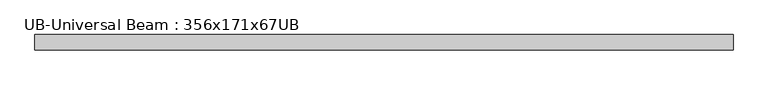
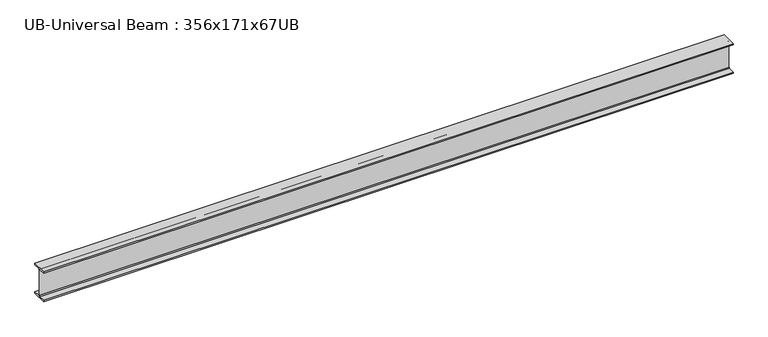
"""IFC4 building model written with IfcOpenShell, lengths in millimetres: beam geometry, UB-Universal Beam : 356x171x67UB."""

import ifcopenshell
import ifcopenshell.guid

model = None  # the IFC model being written
_history = None  # IfcOwnerHistory: only IFC2X3 demands one
_inside = {}  # id of a spatial element -> (the spatial element, [elements in it])
_under = {}  # id of a project, library or spatial element -> (it, [spatial elements below it])
_declared = {}  # id of a project -> (the project, [libraries it declares])
_typed = {}  # id of a type object -> (the type object, [elements of that type])
_made_of = {}  # id of a material, layer set ... -> (it, [elements and type objects made of it])


def new_model(schema):
    """Start an empty IFC model of exactly this schema.

    Asked for "IFC4X3", IfcOpenShell would pick the latest addendum, in which some entities
    have other attributes; the version numbers below select the first issue.
    IFC2X3 requires an IfcOwnerHistory on every rooted entity: one is made here for all.
    """
    global model, _history
    if schema == "IFC4X3":
        model = ifcopenshell.file(schema_version=(4, 3, 0, 0))
    else:
        model = ifcopenshell.file(schema=schema)
    _inside.clear()
    _under.clear()
    _declared.clear()
    _typed.clear()
    _made_of.clear()
    _history = None
    if model.schema == "IFC2X3":
        org = make("IfcOrganization", Name="unknown")
        user = make(
            "IfcPersonAndOrganization",
            ThePerson=make("IfcPerson", FamilyName="unknown"),
            TheOrganization=org,
        )
        app = make(
            "IfcApplication",
            ApplicationDeveloper=org,
            Version="unknown",
            ApplicationFullName="unknown",
            ApplicationIdentifier="unknown",
        )
        _history = make(
            "IfcOwnerHistory",
            OwningUser=user,
            OwningApplication=app,
            ChangeAction="ADDED",
            CreationDate=0,
        )
    return model


def make(cls, **values):
    """One entity of the class cls with the attributes given. An attribute that is None is left unset."""
    return model.create_entity(
        cls, **{name: value for name, value in values.items() if value is not None}
    )


def rooted(cls, **values):
    """An entity with a GlobalId (a new one), such as an element, a storey or a relation."""
    return make(cls, GlobalId=ifcopenshell.guid.new(), OwnerHistory=_history, **values)


def si_unit(unit_type, name, prefix=None):
    """IfcSIUnit, for example si_unit("LENGTHUNIT", "METRE", prefix="MILLI")."""
    return make("IfcSIUnit", UnitType=unit_type, Prefix=prefix, Name=name)


def assignment(units):
    """IfcUnitAssignment: the units of a project."""
    return None if units is None else make("IfcUnitAssignment", Units=units)


def point(xyz):
    """IfcCartesianPoint."""
    return None if xyz is None else make("IfcCartesianPoint", Coordinates=xyz)


def direction(xyz):
    """IfcDirection."""
    return None if xyz is None else make("IfcDirection", DirectionRatios=xyz)


def frame(location, z_axis=None, x_axis=None):
    """IfcAxis2Placement3D, a coordinate frame: its origin and axes. An axis left out is left unset."""
    return make(
        "IfcAxis2Placement3D",
        Location=point(location),
        Axis=direction(z_axis),
        RefDirection=direction(x_axis),
    )


def frame_2d(location, x_axis=None):
    """IfcAxis2Placement2D, a coordinate frame in the plane: its origin and x axis."""
    return make(
        "IfcAxis2Placement2D", Location=point(location), RefDirection=direction(x_axis)
    )


def origin():
    """The frame at (0, 0, 0) with its axes left unset."""
    return frame((0.0, 0.0, 0.0))


def place(relative_to, where):
    """IfcLocalPlacement: puts the frame where relative to a parent placement (None: the world)."""
    return make(
        "IfcLocalPlacement", PlacementRelTo=relative_to, RelativePlacement=where
    )


def context(
    kind, dimensions, precision=None, world=None, true_north=None, identifier=None
):
    """IfcGeometricRepresentationContext, for example the 3D "Model" context."""
    return make(
        "IfcGeometricRepresentationContext",
        ContextIdentifier=identifier,
        ContextType=kind,
        CoordinateSpaceDimension=dimensions,
        Precision=precision,
        WorldCoordinateSystem=world,
        TrueNorth=true_north,
    )


def project(units=None, contexts=None):
    """IfcProject with its units and contexts."""
    return rooted(
        "IfcProject",
        Name="project",
        RepresentationContexts=contexts,
        UnitsInContext=assignment(units),
    )


def spatial(cls, under=None, at=None, **own):
    """A site, building, storey or space (cls), placed at a placement, below another one or the project."""
    s = rooted(cls, ObjectPlacement=at, **own)
    if under is not None:
        _under.setdefault(under.id(), (under, []))[1].append(s)
    return s


def polyline(points):
    """IfcPolyline through the points."""
    return make("IfcPolyline", Points=[point(p) for p in points])


def circle_curve(where, radius):
    """IfcCircle in the frame where."""
    return make("IfcCircle", Position=where, Radius=radius)


def trimmed(basis, trim1, trim2, sense, master):
    """IfcTrimmedCurve: the piece of a basis curve between two trims."""
    return make(
        "IfcTrimmedCurve",
        BasisCurve=basis,
        Trim1=trim1,
        Trim2=trim2,
        SenseAgreement=sense,
        MasterRepresentation=master,
    )


def segment(curve, same_sense, transition):
    """IfcCompositeCurveSegment."""
    return make(
        "IfcCompositeCurveSegment",
        Transition=transition,
        SameSense=same_sense,
        ParentCurve=curve,
    )


def composite_curve(segments, self_intersect=None):
    """IfcCompositeCurve: segments joined end to end."""
    return make("IfcCompositeCurve", Segments=segments, SelfIntersect=self_intersect)


def outline(outer, holes=None, kind="AREA"):
    """IfcArbitraryClosedProfileDef: a profile drawn as a closed curve; with holes, ...WithVoids."""
    if holes is None:
        return make("IfcArbitraryClosedProfileDef", ProfileType=kind, OuterCurve=outer)
    return make(
        "IfcArbitraryProfileDefWithVoids",
        ProfileType=kind,
        OuterCurve=outer,
        InnerCurves=holes,
    )


def extrude(swept, where, along, depth):
    """IfcExtrudedAreaSolid: the profile swept, set in the frame where, extruded along a direction by depth."""
    return make(
        "IfcExtrudedAreaSolid",
        SweptArea=swept,
        Position=where,
        ExtrudedDirection=direction(along),
        Depth=depth,
    )


def shape(context_of_items, identifier, shape_type, items):
    """IfcShapeRepresentation: the items that make up one representation, for example the "Body"."""
    return make(
        "IfcShapeRepresentation",
        ContextOfItems=context_of_items,
        RepresentationIdentifier=identifier,
        RepresentationType=shape_type,
        Items=items,
    )


def source(mapping_origin, context_of_items, identifier, shape_type, items):
    """IfcRepresentationMap: a shape defined once, which mapped items show again and again."""
    return make(
        "IfcRepresentationMap",
        MappingOrigin=mapping_origin,
        MappedRepresentation=shape(context_of_items, identifier, shape_type, items),
    )


def transform(
    local_origin,
    x_axis=None,
    y_axis=None,
    z_axis=None,
    scale=None,
    scale2=None,
    scale3=None,
    uniform=True,
):
    """IfcCartesianTransformationOperator3D, or its non-uniform kind. x_axis, y_axis, z_axis: its Axis1, 2, 3."""
    if uniform:
        return make(
            "IfcCartesianTransformationOperator3D",
            Axis1=direction(x_axis),
            Axis2=direction(y_axis),
            LocalOrigin=point(local_origin),
            Scale=scale,
            Axis3=direction(z_axis),
        )
    return make(
        "IfcCartesianTransformationOperator3DnonUniform",
        Axis1=direction(x_axis),
        Axis2=direction(y_axis),
        LocalOrigin=point(local_origin),
        Scale=scale,
        Axis3=direction(z_axis),
        Scale2=scale2,
        Scale3=scale3,
    )


def mapped(mapping_source, mapping_target):
    """IfcMappedItem: shows the shape of a source again, moved by a transform."""
    return make(
        "IfcMappedItem", MappingSource=mapping_source, MappingTarget=mapping_target
    )


def made_of(thing, what):
    """Note that an element or type object is made of a material, layer set ...; save() writes the relation."""
    if what is not None:
        _made_of.setdefault(what.id(), (what, []))[1].append(thing)
    return thing


def element(
    cls,
    number,
    at=None,
    inside=None,
    cuts=None,
    type_object=None,
    material=None,
    context=None,
    identifier="Body",
    shape_type=None,
    held_by="IfcProductDefinitionShape",
    body=None,
    shapes=None,
    **own,
):
    """One element of the class cls, such as IfcWall. Its Tag is "e" and its number.

    at: its placement. inside: the storey or other place that contains it. cuts: it is an
    opening in that element (IfcRelVoidsElement). A single representation is given by context,
    identifier, shape_type and body (its items); several are given by shapes. held_by: the class
    of the entity that holds the representations. save() writes the other relations.
    """
    e = rooted(cls, Tag="e%d" % number, ObjectPlacement=at, **own)
    if body is not None:
        shapes = [shape(context, identifier, shape_type, body)]
    if shapes is not None:
        e.Representation = make(held_by, Representations=shapes)
    if inside is not None:
        _inside.setdefault(inside.id(), (inside, []))[1].append(e)
    if cuts is not None:
        rooted(
            "IfcRelVoidsElement", RelatingBuildingElement=cuts, RelatedOpeningElement=e
        )
    if type_object is not None:
        _typed.setdefault(type_object.id(), (type_object, []))[1].append(e)
    return made_of(e, material)


def aggregate(whole, parts):
    """IfcRelAggregates: a whole, such as a stair, and the parts it consists of."""
    return rooted("IfcRelAggregates", RelatingObject=whole, RelatedObjects=parts)


def save(model, path):
    """Write the relations noted so far, then the file.

    IfcRelAggregates (storeys below a building ...), IfcRelContainedInSpatialStructure (elements
    in a storey), IfcRelDefinesByType, IfcRelAssociatesMaterial and IfcRelDeclares: one each for
    every whole, place, type object, material and project.
    """
    for whole, parts in _under.values():
        aggregate(whole, parts)
    for where, things in _inside.values():
        rooted(
            "IfcRelContainedInSpatialStructure",
            RelatedElements=things,
            RelatingStructure=where,
        )
    for kind, things in _typed.values():
        rooted("IfcRelDefinesByType", RelatedObjects=things, RelatingType=kind)
    for what, things in _made_of.values():
        rooted("IfcRelAssociatesMaterial", RelatedObjects=things, RelatingMaterial=what)
    for by, libraries in _declared.values():
        rooted("IfcRelDeclares", RelatingContext=by, RelatedDefinitions=libraries)
    model.write(path)


def ub_universal_beam_356x171x67ub_3c52e322(model_context):
    return source(origin(), model_context, "Body", "SweptSolid", [
        extrude(outline(composite_curve([segment(polyline([(86.6, -166.0), (86.6, -181.7), (-86.6, -181.7), (-86.6, -166.0), (-14.75, -166.0)]), True, "CONTINUOUS"), segment(trimmed(circle_curve(frame_2d((-14.75, -155.8)), 10.2), [point((-14.75, -166.0))], [point((-4.55, -155.8))], True, "CARTESIAN"), True, "CONTINUOUS"), segment(polyline([(-4.55, -155.8), (-4.55, 155.8)]), True, "CONTINUOUS"), segment(trimmed(circle_curve(frame_2d((-14.75, 155.8)), 10.2), [point((-4.55, 155.8))], [point((-14.75, 166.0))], True, "CARTESIAN"), True, "CONTINUOUS"), segment(polyline([(-14.75, 166.0), (-86.6, 166.0), (-86.6, 181.7), (86.6, 181.7), (86.6, 166.0), (14.75, 166.0)]), True, "CONTINUOUS"), segment(trimmed(circle_curve(frame_2d((14.75, 155.8)), 10.2), [point((14.75, 166.0))], [point((4.55, 155.8))], True, "CARTESIAN"), True, "CONTINUOUS"), segment(polyline([(4.55, 155.8), (4.55, -155.8)]), True, "CONTINUOUS"), segment(trimmed(circle_curve(frame_2d((14.75, -155.8)), 10.2), [point((4.55, -155.8))], [point((14.75, -166.0))], True, "CARTESIAN"), True, "CONTINUOUS"), segment(polyline([(14.75, -166.0), (86.6, -166.0)]), True, "CONTINUOUS")], self_intersect=False)), frame((-3987.7569214, 0.0, 0.0), z_axis=(1.0, 0.0, 0.0), x_axis=(0.0, 1.0, 0.0)), (0.0, 0.0, 1.0), 7954.3834481),
    ])


if __name__ == "__main__":
    model = new_model("IFC4")
    model_context = context("Model", 3, world=origin())
    ifc_project = project(units=[si_unit("LENGTHUNIT", "METRE", prefix="MILLI")], contexts=[model_context])
    site = spatial("IfcSite", under=ifc_project)
    building = spatial("IfcBuilding", under=site)
    placement = place(None, origin())
    ub_universal_beam_356x171x67ub_shape = ub_universal_beam_356x171x67ub_3c52e322(model_context)
    element("IfcBeam", 1, ObjectType="UB-Universal Beam : 356x171x67UB", at=placement, inside=building, context=model_context, shape_type="MappedRepresentation", body=[
        mapped(ub_universal_beam_356x171x67ub_shape, transform((0.0, 0.0, 0.0), x_axis=(1.0, 0.0, 0.0), y_axis=(0.0, 1.0, 0.0), z_axis=(0.0, 0.0, 1.0))),
    ])
    save(model, "model.ifc")
